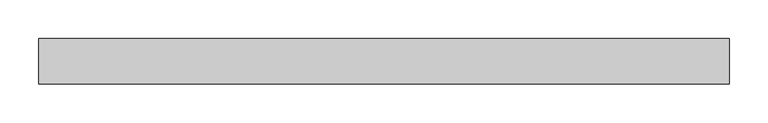
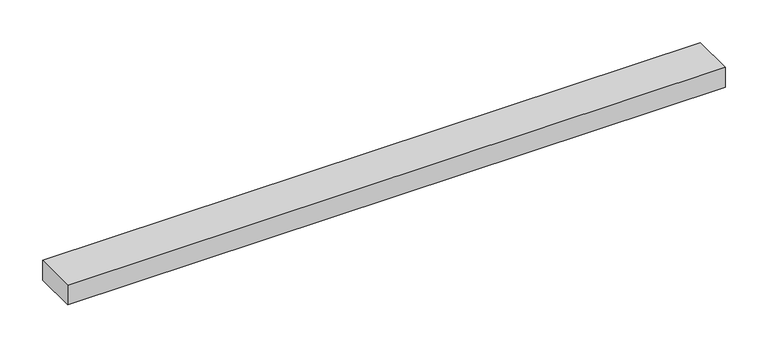
"""IFC4 building model written with IfcOpenShell, lengths in millimetres: proxy geometry."""

from ifc_helpers import new_model, si_unit, frame, origin, place, context, project, spatial, polyline, outline, extrude, source, transform, mapped, element, save


def specialty_equipment_91cd5a65(model_context):
    return source(origin(), model_context, "Body", "SweptSolid", [
        extrude(outline(polyline([(-444.5852163, -29.2199219), (-444.5852163, 29.2199219), (444.5852163, 29.2199219), (444.5852163, -29.2199219), (-444.5852163, -29.2199219)])), frame((0.0, 0.0, -13.9898438), z_axis=(0.0, 0.0, 1.0), x_axis=(1.0, 0.0, 0.0)), (0.0, 0.0, 1.0), 27.9796875),
    ])


if __name__ == "__main__":
    model = new_model("IFC4")
    model_context = context("Model", 3, world=origin())
    ifc_project = project(units=[si_unit("LENGTHUNIT", "METRE", prefix="MILLI")], contexts=[model_context])
    site = spatial("IfcSite", under=ifc_project)
    building = spatial("IfcBuilding", under=site)
    placement = place(None, origin())
    specialty_equipment_shape = specialty_equipment_91cd5a65(model_context)
    element("IfcBuildingElementProxy", 1, Name="Specialty Equipment", at=placement, inside=building, context=model_context, shape_type="MappedRepresentation", body=[
        mapped(specialty_equipment_shape, transform((0.0, 0.0, 0.0), x_axis=(1.0, 0.0, 0.0), y_axis=(0.0, 1.0, 0.0), z_axis=(0.0, 0.0, 1.0))),
    ])
    save(model, "model.ifc")
